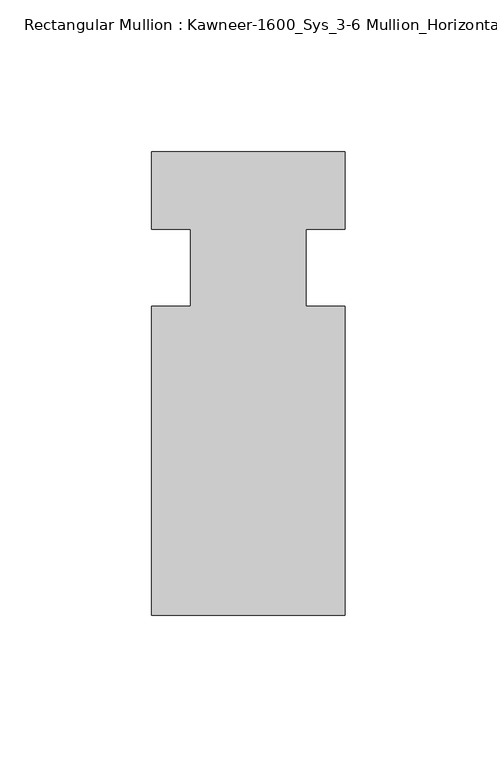
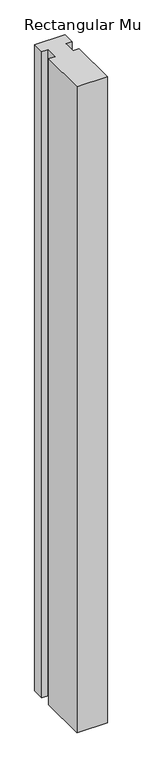
"""IFC4 building model written with IfcOpenShell, lengths in millimetres: member geometry, Rectangular Mullion : Kawneer-1600_Sys_3-6 Mullion_Horizontal."""

from ifc_helpers import new_model, si_unit, frame, origin, place, context, project, spatial, polyline, outline, extrude, source, transform, mapped, element, save


def rectangular_mullion_kawneer_1600_sys_3_6_mullion_horizontal_c7d92e75(model_context):
    return source(origin(), model_context, "Body", "SweptSolid", [
        extrude(outline(polyline([(36.0844027, -114.3), (-27.4155973, -114.3), (-27.4155973, -12.7), (-14.7155973, -12.7), (-14.7155973, 12.7), (-27.4155973, 12.7), (-27.4155973, 38.1), (36.0844027, 38.1), (36.0844027, 12.7), (23.3826322, 12.7), (23.3826322, -12.7), (36.0844027, -12.7), (36.0844027, -114.3)])), frame((0.0, 0.0, -1424.4155973), z_axis=(0.0, 0.0, 1.0), x_axis=(1.0, 0.0, 0.0)), (0.0, 0.0, 1.0), 1424.4155973),
    ])


if __name__ == "__main__":
    model = new_model("IFC4")
    model_context = context("Model", 3, world=origin())
    ifc_project = project(units=[si_unit("LENGTHUNIT", "METRE", prefix="MILLI")], contexts=[model_context])
    site = spatial("IfcSite", under=ifc_project)
    building = spatial("IfcBuilding", under=site)
    placement = place(None, origin())
    rectangular_mullion_kawneer_1600_sys_3_6_mullion_horizontal_shape = rectangular_mullion_kawneer_1600_sys_3_6_mullion_horizontal_c7d92e75(model_context)
    element("IfcMember", 1, ObjectType="Rectangular Mullion : Kawneer-1600_Sys_3-6 Mullion_Horizontal", at=placement, inside=building, context=model_context, shape_type="MappedRepresentation", body=[
        mapped(rectangular_mullion_kawneer_1600_sys_3_6_mullion_horizontal_shape, transform((0.0, 0.0, 0.0), x_axis=(1.0, 0.0, 0.0), y_axis=(0.0, 1.0, 0.0), z_axis=(0.0, 0.0, 1.0))),
    ])
    save(model, "model.ifc")
